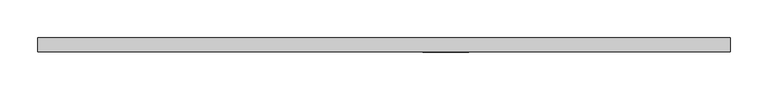
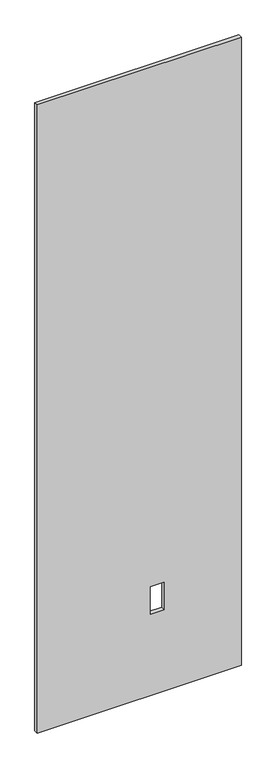
"""IFC4 building model written with IfcOpenShell, lengths in millimetres: proxy geometry."""

from ifc_helpers import new_model, si_unit, frame, origin, place, context, project, spatial, polyline, outline, extrude, source, transform, mapped, element, save


def specialty_equipment_d3e73cdf(model_context):
    return source(origin(), model_context, "Body", "SweptSolid", [
        extrude(outline(polyline([(2999.5368001, -460.6862302), (3.175, -460.6862302), (3.175, 460.6862302), (2999.5368001, 460.6862302), (2999.5368001, -460.6862302)]), holes=[polyline([(391.922, 112.8268), (391.922, 51.3588), (522.478, 51.3588), (522.478, 112.8268), (391.922, 112.8268)])]), frame((0.0, -9.525, 0.0), z_axis=(0.0, 1.0, 0.0), x_axis=(0.0, 0.0, 1.0)), (0.0, 0.0, 1.0), 19.05),
    ])


if __name__ == "__main__":
    model = new_model("IFC4")
    model_context = context("Model", 3, world=origin())
    ifc_project = project(units=[si_unit("LENGTHUNIT", "METRE", prefix="MILLI")], contexts=[model_context])
    site = spatial("IfcSite", under=ifc_project)
    building = spatial("IfcBuilding", under=site)
    placement = place(None, origin())
    specialty_equipment_shape = specialty_equipment_d3e73cdf(model_context)
    element("IfcBuildingElementProxy", 1, Name="Specialty Equipment", at=placement, inside=building, context=model_context, shape_type="MappedRepresentation", body=[
        mapped(specialty_equipment_shape, transform((0.0, 0.0, 0.0), x_axis=(1.0, 0.0, 0.0), y_axis=(0.0, 1.0, 0.0), z_axis=(0.0, 0.0, 1.0))),
    ])
    save(model, "model.ifc")
